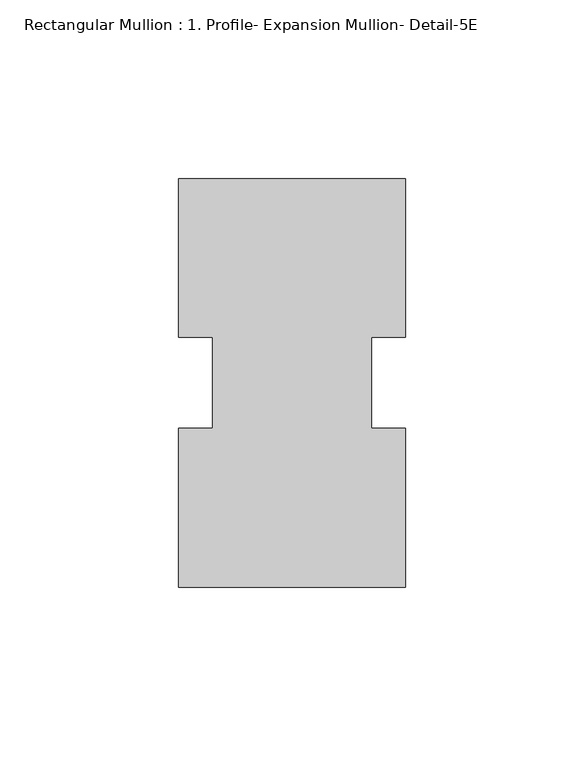
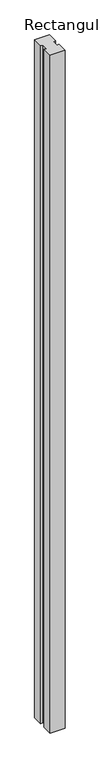
"""IFC4 building model written with IfcOpenShell, lengths in millimetres: member geometry, Rectangular Mullion : 1. Profile- Expansion Mullion- Detail-5E."""

from ifc_helpers import new_model, si_unit, frame, origin, place, context, project, spatial, polyline, outline, extrude, source, transform, mapped, element, save


def rectangular_mullion_1_profile_expansion_mullion_detail_5e_9c2de77e(model_context):
    return source(origin(), model_context, "Body", "SweptSolid", [
        extrude(outline(polyline([(31.75, 57.1371921), (31.75, 12.7678614), (22.225, 12.7678614), (22.225, -12.719837), (31.75, -12.719837), (31.75, -57.1628079), (-31.75, -57.162681), (-31.75, -12.719837), (-22.225, -12.719837), (-22.225, 12.7810274), (-31.75, 12.7810274), (-31.75, 57.137319), (31.75, 57.1371921)])), frame((0.0, 0.0, -3048.0), z_axis=(0.0, 0.0, 1.0), x_axis=(1.0, 0.0, 0.0)), (0.0, 0.0, 1.0), 3048.0),
    ])


if __name__ == "__main__":
    model = new_model("IFC4")
    model_context = context("Model", 3, world=origin())
    ifc_project = project(units=[si_unit("LENGTHUNIT", "METRE", prefix="MILLI")], contexts=[model_context])
    site = spatial("IfcSite", under=ifc_project)
    building = spatial("IfcBuilding", under=site)
    placement = place(None, origin())
    rectangular_mullion_1_profile_expansion_mullion_detail_5e_shape = rectangular_mullion_1_profile_expansion_mullion_detail_5e_9c2de77e(model_context)
    element("IfcMember", 1, ObjectType="Rectangular Mullion : 1. Profile- Expansion Mullion- Detail-5E", at=placement, inside=building, context=model_context, shape_type="MappedRepresentation", body=[
        mapped(rectangular_mullion_1_profile_expansion_mullion_detail_5e_shape, transform((0.0, 0.0, 0.0), x_axis=(1.0, 0.0, 0.0), y_axis=(0.0, 1.0, 0.0), z_axis=(0.0, 0.0, 1.0))),
    ])
    save(model, "model.ifc")
